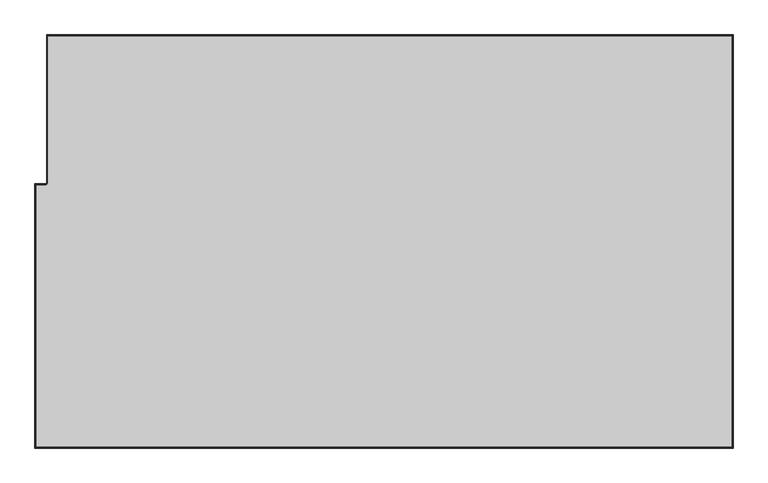
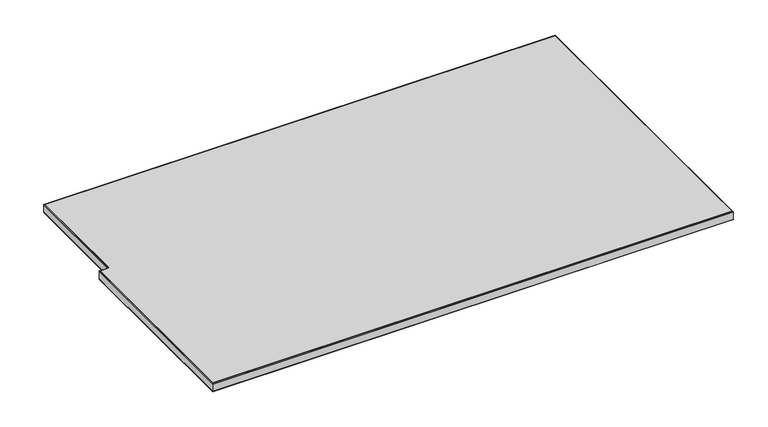
"""IFC4 building model written with IfcOpenShell, lengths in millimetres: furniture geometry."""

from ifc_helpers import new_model, si_unit, frame, origin, place, context, project, spatial, polyline, outline, extrude, faceted_brep, source, transform, mapped, element, save


def furniture_17ab5473(model_context):
    return source(origin(), model_context, "Body", "SolidModel", [
        faceted_brep([(1523.4142073, 75.6100441, 737.5352142), (1524.0, 76.1958368, 736.1209837), (25.3999962, 76.1958368, 736.1209837), (25.9857889, 75.6100441, 737.5352142), (1521.9934, 74.1892368, 738.1237311), (27.4065962, 74.1892368, 738.1237311), (1521.9934, 74.1892368, 711.1972516), (27.4065962, 74.1892368, 711.1972516), (1523.4142073, 75.6100441, 711.7857685), (25.9857889, 75.6100441, 711.7857685), (1524.0, 76.1958368, 713.199999), (25.3999962, 76.1958368, 713.199999), (25.3999962, -246.7390778, 736.1209837), (25.9857889, -246.8555994, 737.5352142), (27.4065962, -247.1382161, 738.1237311), (27.4065962, -247.1382161, 711.1972516), (25.9857889, -246.8555994, 711.7857685), (25.3999962, -246.7390778, 713.199999), (24.6926365, -248.4467919, 736.1209837), (25.1409832, -248.8951371, 737.5352142), (26.2284227, -249.9825732, 738.1237311), (26.2284227, -249.9825732, 711.1972516), (25.1409832, -248.8951371, 711.7857685), (24.6926365, -248.4467919, 713.199999), (22.9848889, -249.1541718, 736.1209837), (23.1014115, -249.7399645, 737.5352142), (23.3840305, -251.1607718, 738.1237311), (23.3840305, -251.1607718, 711.1972516), (23.1014115, -249.7399645, 711.7857685), (22.9848889, -249.1541718, 713.199999), (0.0, -249.1541718, 736.1209837), (0.5857927, -249.7399645, 737.5352142), (2.0066, -251.1607718, 738.1237311), (2.0066, -251.1607718, 711.1972516), (0.5857927, -249.7399645, 711.7857685), (0.0, -249.1541718, 713.199999), (0.0, -825.5041664, 736.1209837), (0.5857927, -824.9183737, 737.5352142), (2.0066, -823.4975664, 738.1237311), (2.0066, -823.4975664, 711.1972516), (0.5857927, -824.9183737, 711.7857685), (0.0, -825.5041664, 713.199999), (1524.0, -825.5041664, 736.1209837), (1523.4142073, -824.9183737, 737.5352142), (1521.9934, -823.4975664, 738.1237311), (1521.9934, -823.4975664, 711.1972516), (1523.4142073, -824.9183737, 711.7857685), (1524.0, -825.5041664, 713.199999)], [[[0, 1, 2, 3]], [[4, 0, 3, 5]], [[6, 4, 5, 7]], [[8, 6, 7, 9]], [[10, 8, 9, 11]], [[1, 10, 11, 2]], [[3, 2, 12, 13]], [[5, 3, 13, 14]], [[7, 5, 14, 15]], [[9, 7, 15, 16]], [[11, 9, 16, 17]], [[2, 11, 17, 12]], [[13, 12, 18, 19]], [[14, 13, 19, 20]], [[15, 14, 20, 21]], [[16, 15, 21, 22]], [[17, 16, 22, 23]], [[12, 17, 23, 18]], [[19, 18, 24, 25]], [[20, 19, 25, 26]], [[21, 20, 26, 27]], [[22, 21, 27, 28]], [[23, 22, 28, 29]], [[18, 23, 29, 24]], [[25, 24, 30, 31]], [[26, 25, 31, 32]], [[27, 26, 32, 33]], [[28, 27, 33, 34]], [[29, 28, 34, 35]], [[24, 29, 35, 30]], [[31, 30, 36, 37]], [[32, 31, 37, 38]], [[33, 32, 38, 39]], [[34, 33, 39, 40]], [[35, 34, 40, 41]], [[30, 35, 41, 36]], [[37, 36, 42, 43]], [[38, 37, 43, 44]], [[39, 38, 44, 45]], [[40, 39, 45, 46]], [[41, 40, 46, 47]], [[36, 41, 47, 42]], [[43, 42, 1, 0]], [[44, 43, 0, 4]], [[45, 44, 4, 6]], [[46, 45, 6, 8]], [[47, 46, 8, 10]], [[42, 47, 10, 1]]]),
        extrude(outline(polyline([(1521.9934, 74.1892368), (1521.9934, -823.4975664), (2.0066, -823.4975664), (2.0066, -251.1607718), (23.3840305, -251.1607718), (26.2284227, -249.9825732), (27.4065962, -247.1382161), (27.4065962, 74.1892368), (1521.9934, 74.1892368)])), frame((0.0, 0.0, 714.1209864), z_axis=(0.0, 0.0, 1.0), x_axis=(1.0, 0.0, 0.0)), (0.0, 0.0, 1.0), 24.003),
    ])


if __name__ == "__main__":
    model = new_model("IFC4")
    model_context = context("Model", 3, world=origin())
    ifc_project = project(units=[si_unit("LENGTHUNIT", "METRE", prefix="MILLI")], contexts=[model_context])
    site = spatial("IfcSite", under=ifc_project)
    building = spatial("IfcBuilding", under=site)
    placement = place(None, origin())
    furniture_shape = furniture_17ab5473(model_context)
    element("IfcFurniture", 1, at=placement, inside=building, context=model_context, shape_type="MappedRepresentation", body=[
        mapped(furniture_shape, transform((0.0, 0.0, 0.0), x_axis=(1.0, 0.0, 0.0), y_axis=(0.0, 1.0, 0.0), z_axis=(0.0, 0.0, 1.0))),
    ])
    save(model, "model.ifc")
